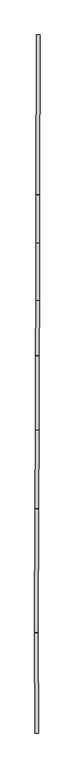
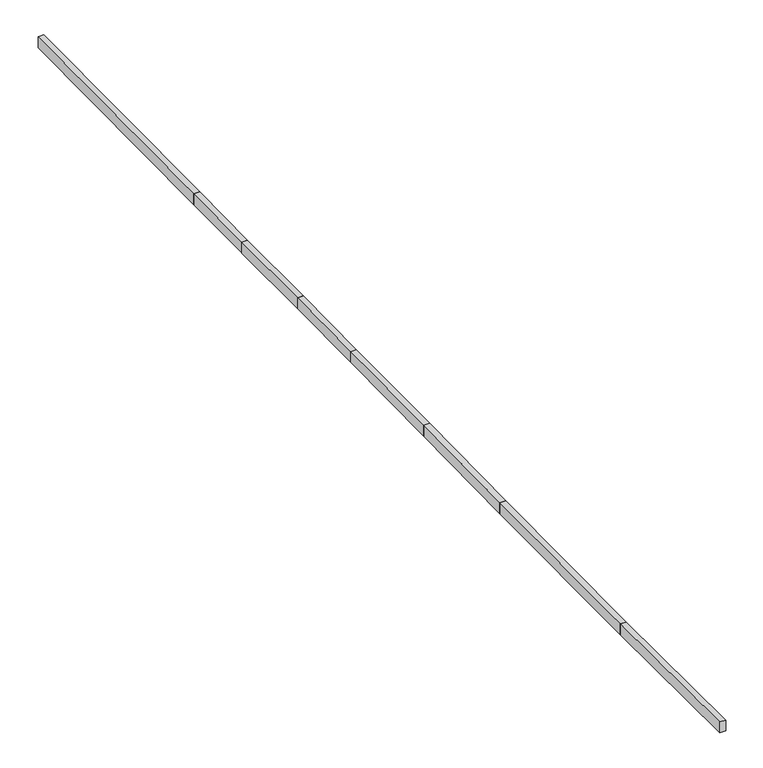
"""IFC4 building model written with IfcOpenShell, lengths in millimetres: railing geometry."""

from ifc_helpers import new_model, si_unit, origin, place, context, project, spatial, faceted_brep, source, transform, mapped, element, save


def railing_65a6502a(model_context):
    return source(origin(), model_context, "Body", "Brep", [
        faceted_brep([(-133382.7088674, 54836.2363462, 10963.549826), (-133382.7121152, 54836.9109637, 10663.5505846), (-133232.7138534, 54837.63309, 10663.5505846), (-133232.7106057, 54836.9584725, 10963.549826), (-133404.1173392, 59283.1506164, 10973.5499703), (-133254.1190775, 59283.8727426, 10973.5499703), (-133254.1223252, 59284.5473601, 10673.5507288), (-133404.120587, 59283.8252339, 10673.5507288)], [[[0, 1, 2, 3]], [[4, 5, 6, 7]], [[1, 0, 4, 7]], [[2, 1, 7, 6]], [[3, 2, 6, 5]], [[0, 3, 5, 4]]]),
        faceted_brep([(-133404.1183459, 59284.556969, 10973.5500296), (-133404.1160089, 59285.1045304, 10673.5505294), (-133254.1173751, 59284.464327, 10673.5505294), (-133254.1197121, 59283.9167656, 10973.5500296), (-133380.7345067, 64763.3533122, 10983.5501538), (-133230.7358729, 64762.7131088, 10983.5501538), (-133230.7335359, 64763.2606702, 10683.5506535), (-133380.7321696, 64763.9008736, 10683.5506535)], [[[0, 1, 2, 3]], [[4, 5, 6, 7]], [[1, 0, 4, 7]], [[2, 1, 7, 6]], [[3, 2, 6, 5]], [[0, 3, 5, 4]]]),
        faceted_brep([(-133380.7368177, 64762.9226976, 10983.547763), (-133380.7231899, 64765.5192709, 10683.5590005), (-133230.7252558, 64764.7320248, 10683.5590005), (-133230.7388836, 64762.1354514, 10983.547763), (-133362.5495577, 68228.232186, 11013.5428136), (-133212.5516236, 68227.4449399, 11013.5428136), (-133212.5379957, 68230.0415132, 10713.5540511), (-133362.5359299, 68230.8287594, 10713.5540511)], [[[0, 1, 2, 3]], [[4, 5, 6, 7]], [[1, 0, 4, 7]], [[2, 1, 7, 6]], [[3, 2, 6, 5]], [[0, 3, 5, 4]]]),
        faceted_brep([(-133362.5452742, 68228.2022379, 11013.5519982), (-133362.5503244, 68230.9293991, 10713.5643942), (-133212.5505815, 68231.2071679, 10713.5643942), (-133212.5455314, 68228.4800066, 11013.5519982), (-133368.6560902, 71528.1440705, 11043.5515851), (-133218.6563474, 71528.4218393, 11043.5515851), (-133218.6613975, 71531.1490005, 10743.5639811), (-133368.6611403, 71530.8712317, 10743.5639811)], [[[0, 1, 2, 3]], [[4, 5, 6, 7]], [[1, 0, 4, 7]], [[2, 1, 7, 6]], [[3, 2, 6, 5]], [[0, 3, 5, 4]]]),
        faceted_brep([(-133368.6583479, 71529.3632595, 11043.5550053), (-133368.6583479, 71529.3632595, 10743.5524878), (-133218.6701775, 71527.4794503, 10743.5524878), (-133218.6701775, 71527.4794503, 11043.5550053), (-133338.0014806, 73970.2514285, 11033.5544363), (-133187.9896501, 73970.2514285, 11033.5467181), (-133187.9896501, 73970.2514285, 10733.5442006), (-133338.0014806, 73970.2514285, 10733.5519188)], [[[0, 1, 2, 3]], [[4, 5, 6, 7]], [[1, 0, 4, 7]], [[2, 1, 7, 6]], [[3, 2, 6, 5]], [[0, 3, 5, 4]]]),
        faceted_brep([(-133338.0014806, 73970.2514285, 11033.55), (-133338.0014806, 73970.2514285, 10733.55), (-133188.0014806, 73970.2514285, 10733.55), (-133188.0014806, 73970.2514285, 11033.55), (-133338.0014806, 76500.1397913, 11033.55), (-133188.0014806, 76500.1397913, 11033.55), (-133188.0014806, 76500.1397913, 10733.55), (-133338.0014806, 76500.1397913, 10733.55)], [[[0, 1, 2, 3]], [[4, 5, 6, 7]], [[1, 0, 4, 7]], [[2, 1, 7, 6]], [[3, 2, 6, 5]], [[0, 3, 5, 4]]]),
        faceted_brep([(-133338.0014806, 76499.5027816, 11033.5470509), (-133338.0014806, 76502.2804403, 10733.5599102), (-133188.0014806, 76502.2804403, 10733.5599102), (-133188.0014806, 76499.5027816, 11033.5470509), (-133338.0014806, 78659.5431541, 11053.5474248), (-133188.0014806, 78659.5431541, 11053.5474248), (-133188.0014806, 78662.3208128, 10753.560284), (-133338.0014806, 78662.3208128, 10753.560284)], [[[0, 1, 2, 3]], [[4, 5, 6, 7]], [[1, 0, 4, 7]], [[2, 1, 7, 6]], [[3, 2, 6, 5]], [[0, 3, 5, 4]]]),
        faceted_brep([(-133338.0018019, 78660.2321187, 11053.5492691), (-133337.9970845, 78661.9321478, 10753.554086), (-133187.997662, 78661.5159125, 10753.554086), (-133188.0023794, 78659.8158835, 11053.5492691), (-133318.4151678, 85718.7014823, 11093.5488953), (-133168.4157453, 85718.2852471, 11093.5488953), (-133168.4110279, 85719.9852761, 10793.5537122), (-133318.4104504, 85720.4015114, 10793.5537122)], [[[0, 1, 2, 3]], [[4, 5, 6, 7]], [[1, 0, 4, 7]], [[2, 1, 7, 6]], [[3, 2, 6, 5]], [[0, 3, 5, 4]]]),
    ])


if __name__ == "__main__":
    model = new_model("IFC4")
    model_context = context("Model", 3, world=origin())
    ifc_project = project(units=[si_unit("LENGTHUNIT", "METRE", prefix="MILLI")], contexts=[model_context])
    site = spatial("IfcSite", under=ifc_project)
    building = spatial("IfcBuilding", under=site)
    placement = place(None, origin())
    railing_shape = railing_65a6502a(model_context)
    element("IfcRailing", 1, at=placement, inside=building, context=model_context, shape_type="MappedRepresentation", body=[
        mapped(railing_shape, transform((0.0, 0.0, 0.0), x_axis=(1.0, 0.0, 0.0), y_axis=(0.0, 1.0, 0.0), z_axis=(0.0, 0.0, 1.0))),
    ])
    save(model, "model.ifc")
